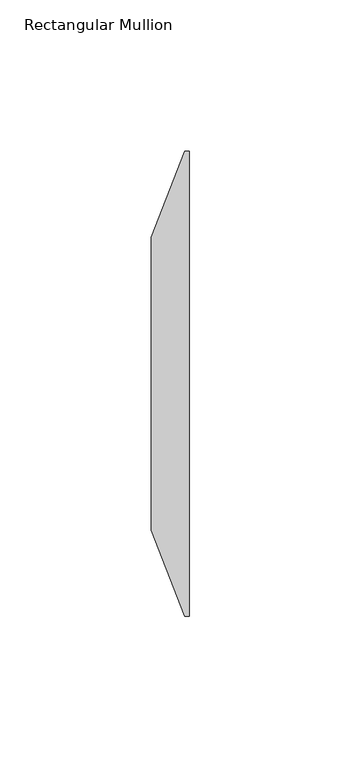
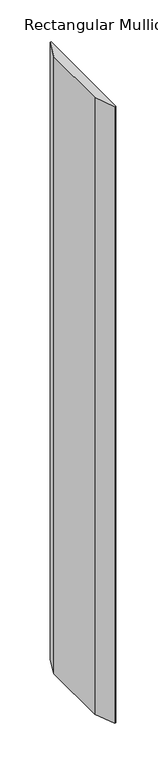
"""IFC4 building model written with IfcOpenShell, lengths in millimetres: member geometry, Rectangular Mullion."""

from ifc_helpers import new_model, si_unit, frame, origin, place, context, project, spatial, polyline, outline, extrude, source, transform, mapped, element, save


def rectangular_mullion_69134e21(model_context):
    return source(origin(), model_context, "Body", "SweptSolid", [
        extrude(outline(polyline([(0.0, 60.325), (0.0, -93.6625), (-1.5875, -93.6625), (-12.7, -65.0875), (-12.7, 31.75), (-1.5875, 60.325), (0.0, 60.325)])), frame((0.0, 0.0, -896.62), z_axis=(0.0, 0.0, 1.0), x_axis=(1.0, 0.0, 0.0)), (0.0, 0.0, 1.0), 896.62),
    ])


if __name__ == "__main__":
    model = new_model("IFC4")
    model_context = context("Model", 3, world=origin())
    ifc_project = project(units=[si_unit("LENGTHUNIT", "METRE", prefix="MILLI")], contexts=[model_context])
    site = spatial("IfcSite", under=ifc_project)
    building = spatial("IfcBuilding", under=site)
    placement = place(None, origin())
    rectangular_mullion_shape = rectangular_mullion_69134e21(model_context)
    element("IfcMember", 1, ObjectType="Rectangular Mullion", at=placement, inside=building, context=model_context, shape_type="MappedRepresentation", body=[
        mapped(rectangular_mullion_shape, transform((0.0, 0.0, 0.0), x_axis=(1.0, 0.0, 0.0), y_axis=(0.0, 1.0, 0.0), z_axis=(0.0, 0.0, 1.0))),
    ])
    save(model, "model.ifc")
